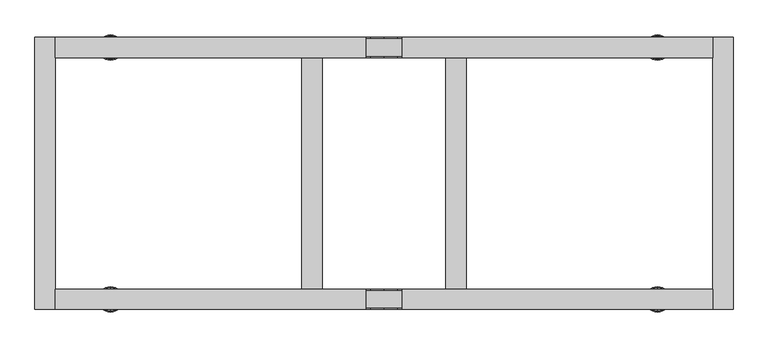
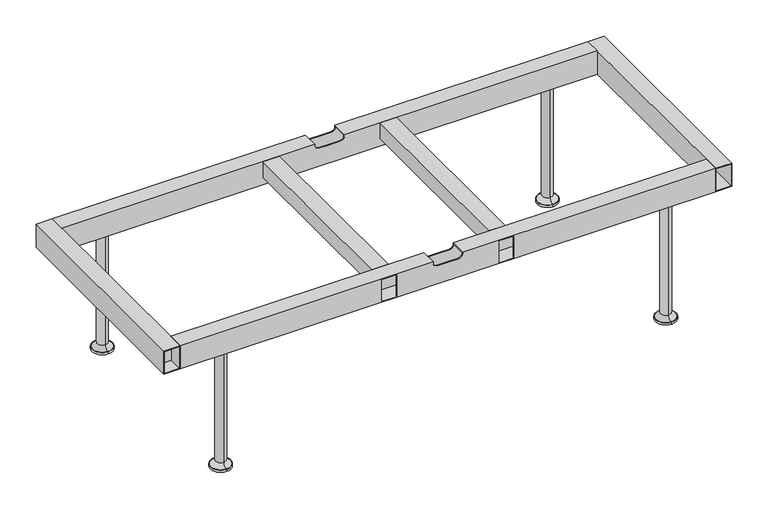
"""IFC4 building model written with IfcOpenShell, lengths in millimetres: furniture geometry."""

from ifc_helpers import new_model, si_unit, point, frame, origin, place, context, project, spatial, polyline, circle_curve, ellipse_curve, trimmed, outline, extrude, source, transform, mapped, element, save
from ifc_brep_helpers import plane_surface, cylinder_surface, revolved_surface, advanced_brep


def furniture_beb03ebc(model_context):
    return source(origin(), model_context, "Body", "SolidModel", [
        extrude(outline(polyline([(-654.9772215, -236.0000008), (-690.9659032, -236.0000008), (-690.9659032, -232.0000015), (-654.9772215, -232.0000015), (-654.9772215, -236.0000008)])), frame((0.0, 0.0, 301.9086098), z_axis=(0.0, 0.0, 1.0), x_axis=(1.0, 0.0, 0.0)), (0.0, 0.0, 1.0), 56.013824),
        extrude(outline(polyline([(-654.9772215, 236.0000008), (-654.9772215, 232.0000015), (-690.9659032, 232.0000015), (-690.9659032, 236.0000008), (-654.9772215, 236.0000008)])), frame((0.0, 0.0, 301.9086098), z_axis=(0.0, 0.0, 1.0), x_axis=(1.0, 0.0, 0.0)), (0.0, 0.0, 1.0), 56.013824),
        advanced_brep(
        [(0.0, -230.0000056, 346.6346058), (0.0, -232.0000018, 346.6346058), (25.9966488, -232.0000018, 346.6346058), (25.9966488, -230.0000056, 346.6346058), (0.0, -268.0000023, 346.6346058), (0.0, -270.0000061, 346.6346058), (25.9966488, -270.0000061, 346.6346058), (25.9966488, -268.0000023, 346.6346058), (35.9966488, -232.0000018, 356.6346058), (35.9966488, -230.0000056, 356.6346058), (35.9966488, -270.0000061, 356.6346058), (35.9966488, -268.0000023, 356.6346058), (35.9966488, -232.0000018, 357.9224338), (35.9966488, -268.0000023, 357.9224338), (35.9966488, -270.0000061, 359.922434), (35.9966488, -230.0000056, 359.922434), (-35.9966488, -232.0000018, 356.6346058), (-35.9966488, -230.0000056, 356.6346058), (-35.9966488, -230.0000056, 359.922434), (-35.9966488, -270.0000061, 359.922434), (-35.9966488, -270.0000061, 356.6346058), (-35.9966488, -268.0000023, 356.6346058), (-35.9966488, -268.0000023, 357.9224338), (-35.9966488, -232.0000018, 357.9224338), (-25.9966488, -230.0000056, 346.6346058), (-25.9966488, -232.0000018, 346.6346058), (-25.9966488, -268.0000023, 346.6346058), (-25.9966488, -270.0000061, 346.6346058), (652.9916052, -230.0000056, 359.922434), (652.9916052, -270.0000061, 359.922434), (652.9916052, -270.0000061, 299.9223263), (652.9916052, -230.0000056, 299.9223263), (652.9916052, -268.0000023, 301.9086098), (652.9916052, -268.0000023, 357.9224338), (652.9916052, -232.0000018, 357.9224338), (652.9916052, -232.0000018, 301.9086098), (-652.9916052, -230.0000056, 359.922434), (-652.9916052, -230.0000056, 299.9223263), (-652.9916052, -270.0000061, 299.9223263), (-652.9916052, -270.0000061, 359.922434), (-652.9916052, -268.0000023, 301.9086098), (-652.9916052, -232.0000018, 301.9086098), (-652.9916052, -232.0000018, 357.9224338), (-652.9916052, -268.0000023, 357.9224338), (124.9814439, -270.0000061, 357.9224338), (160.9701256, -270.0000061, 357.9224338), (160.9701256, -270.0000061, 301.9086098), (124.9814439, -270.0000061, 301.9086098), (-160.9701256, -270.0000061, 357.9224338), (-124.9814439, -270.0000061, 357.9224338), (-124.9814439, -270.0000061, 301.9086098), (-160.9701256, -270.0000061, 301.9086098), (-160.9701256, -268.0000023, 301.9086098), (-124.9814439, -268.0000023, 301.9086098), (124.9814439, -268.0000023, 301.9086098), (160.9701256, -268.0000023, 301.9086098), (160.9701256, -268.0000023, 357.9224338), (124.9814439, -268.0000023, 357.9224338), (-124.9814439, -268.0000023, 357.9224338), (-160.9701256, -268.0000023, 357.9224338)],
        [
            (0, 1),
            (1, 2),
            (2, 3),
            (3, 0),
            (4, 5),
            (5, 6),
            (6, 7),
            (7, 4),
            (2, 8, circle_curve(frame((25.9966488, -232.0000018, 356.6346058), z_axis=(0.0, -1.0, 0.0), x_axis=(-1.0, 0.0, 0.0)), 10.0)),
            (8, 9),
            (9, 3, circle_curve(frame((25.9966488, -230.0000056, 356.6346058), z_axis=(0.0, 1.0, 0.0), x_axis=(-1.0, 0.0, 0.0)), 10.0)),
            (6, 10, circle_curve(frame((25.9966488, -270.0000061, 356.6346058), z_axis=(0.0, -1.0, 0.0), x_axis=(-1.0, 0.0, 0.0)), 10.0)),
            (10, 11),
            (11, 7, circle_curve(frame((25.9966488, -268.0000023, 356.6346058), z_axis=(0.0, 1.0, 0.0), x_axis=(-1.0, 0.0, 0.0)), 10.0)),
            (8, 12),
            (12, 13),
            (13, 11),
            (10, 14),
            (14, 15),
            (15, 9),
            (16, 17),
            (17, 18),
            (18, 19),
            (19, 20),
            (20, 21),
            (21, 22),
            (22, 23),
            (23, 16),
            (0, 24),
            (24, 25),
            (25, 1),
            (4, 26),
            (26, 27),
            (27, 5),
            (28, 29),
            (29, 30),
            (30, 31),
            (31, 28),
            (32, 33),
            (33, 34),
            (34, 35),
            (35, 32),
            (36, 37),
            (37, 38),
            (38, 39),
            (39, 36),
            (40, 41),
            (41, 42),
            (42, 43),
            (43, 40),
            (31, 37),
            (36, 18),
            (17, 24, circle_curve(frame((-25.9966488, -230.0000056, 356.6346058), z_axis=(0.0, -1.0, 0.0), x_axis=(1.0, 0.0, 0.0)), 10.0)),
            (15, 28),
            (30, 38),
            (29, 14),
            (27, 20, circle_curve(frame((-25.9966488, -270.0000061, 356.6346058), z_axis=(0.0, 1.0, 0.0), x_axis=(1.0, 0.0, 0.0)), 10.0)),
            (19, 39),
            (44, 45),
            (45, 46),
            (46, 47),
            (47, 44),
            (48, 49),
            (49, 50),
            (50, 51),
            (51, 48),
            (35, 41),
            (40, 52),
            (52, 51),
            (50, 53),
            (53, 54),
            (54, 47),
            (46, 55),
            (55, 32),
            (34, 12),
            (25, 16, circle_curve(frame((-25.9966488, -232.0000018, 356.6346058), z_axis=(0.0, 1.0, 0.0), x_axis=(1.0, 0.0, 0.0)), 10.0)),
            (23, 42),
            (33, 56),
            (56, 45),
            (44, 57),
            (57, 13),
            (22, 58),
            (58, 49),
            (48, 59),
            (59, 43),
            (55, 56),
            (59, 52),
            (57, 54),
            (53, 58),
            (21, 26, circle_curve(frame((-25.9966488, -268.0000023, 356.6346058), z_axis=(0.0, -1.0, 0.0), x_axis=(1.0, 0.0, 0.0)), 10.0)),
        ],
        [
            plane_surface(frame((0.0, -287.5262628, 346.6346058), z_axis=(0.0, 0.0, 1.0), x_axis=(0.0, 1.0, 0.0))),
            revolved_surface(polyline([(15.9966488, -232.0000018, 356.6346058), (15.9966488, -230.00000560000007, 356.6346058)]), (25.9966488, 314.3107458, 356.6346058), (0.0, -1.0, 0.0)),
            revolved_surface(polyline([(15.9966488, -270.0000061, 356.6346058), (15.9966488, -268.00000229999995, 356.6346058)]), (25.9966488, 314.3107458, 356.6346058), (0.0, -1.0, 0.0)),
            plane_surface(frame((35.9966488, -287.5262628, 356.6346058), z_axis=(-1.0, 0.0, 0.0), x_axis=(0.0, 1.0, 0.0))),
            plane_surface(frame((-35.9966488, -287.5262628, 378.869628), z_axis=(1.0, 0.0, 0.0), x_axis=(0.0, 1.0, 0.0))),
            plane_surface(frame((-25.9966488, -287.5262628, 346.6346058), z_axis=(0.0, 0.0, 1.0), x_axis=(0.0, 1.0, 0.0))),
            plane_surface(frame((652.9916052, -270.0000061, 359.922434), z_axis=(1.0, 0.0, 0.0), x_axis=(0.0, -1.0, 0.0))),
            plane_surface(frame((-652.9916052, -270.0000061, 359.922434), z_axis=(-1.0, 0.0, 0.0), x_axis=(0.0, 1.0, 0.0))),
            plane_surface(frame((652.9916052, -230.0000056, 299.9223263), z_axis=(0.0, 1.0, 0.0), x_axis=(-1.0, 0.0, 0.0))),
            plane_surface(frame((652.9916052, -270.0000061, 299.9223263), z_axis=(0.0, 0.0, -1.0), x_axis=(-1.0, 0.0, 0.0))),
            plane_surface(frame((652.9916052, -270.0000061, 359.922434), z_axis=(0.0, -1.0, 0.0), x_axis=(-1.0, 0.0, 0.0))),
            plane_surface(frame((652.9916052, -230.0000056, 359.922434), z_axis=(0.0, 0.0, 1.0), x_axis=(-1.0, 0.0, 0.0))),
            plane_surface(frame((652.9916052, -232.0000018, 301.9086098), z_axis=(0.0, 0.0, 1.0), x_axis=(-1.0, 0.0, 0.0))),
            plane_surface(frame((652.9916052, -232.0000018, 357.9224338), z_axis=(0.0, -1.0, 0.0), x_axis=(-1.0, 0.0, 0.0))),
            plane_surface(frame((652.9916052, -268.0000023, 357.9224338), z_axis=(0.0, 0.0, -1.0), x_axis=(-1.0, 0.0, 0.0))),
            plane_surface(frame((652.9916052, -268.0000023, 301.9086098), z_axis=(0.0, 1.0, 0.0), x_axis=(-1.0, 0.0, 0.0))),
            plane_surface(frame((160.9701256, -282.4008656, 301.9086098), z_axis=(-1.0, 0.0, 0.0), x_axis=(0.0, 1.0, 0.0))),
            plane_surface(frame((124.9814439, -282.4008656, 357.9224338), z_axis=(1.0, 0.0, 0.0), x_axis=(0.0, 1.0, 0.0))),
            plane_surface(frame((-160.9701256, -282.4008656, 357.9224338), z_axis=(1.0, 0.0, 0.0), x_axis=(0.0, 1.0, 0.0))),
            plane_surface(frame((-124.9814439, -282.4008656, 301.9086098), z_axis=(-1.0, 0.0, 0.0), x_axis=(0.0, 1.0, 0.0))),
            revolved_surface(polyline([(-15.9966488, -232.0000018, 356.6346058), (-15.9966488, -230.00000560000007, 356.6346058)]), (-25.9966488, 314.3107458, 356.6346058), (0.0, -1.0, 0.0)),
            revolved_surface(polyline([(-15.9966488, -270.0000061, 356.6346058), (-15.9966488, -268.00000229999995, 356.6346058)]), (-25.9966488, 314.3107458, 356.6346058), (0.0, -1.0, 0.0)),
        ],
        [
            (0, [[1, 2, 3, 4]]),
            (0, [[5, 6, 7, 8]]),
            (1, [[-3, 9, 10, 11]]),
            (2, [[-7, 12, 13, 14]]),
            (3, [[-10, 15, 16, 17, -13, 18, 19, 20]]),
            (4, [[21, 22, 23, 24, 25, 26, 27, 28]]),
            (5, [[-1, 29, 30, 31]]),
            (5, [[-5, 32, 33, 34]]),
            (6, [[35, 36, 37, 38], [39, 40, 41, 42]]),
            (7, [[43, 44, 45, 46], [47, 48, 49, 50]]),
            (8, [[-38, 51, -43, 52, -22, 53, -29, -4, -11, -20, 54]]),
            (9, [[-37, 55, -44, -51]]),
            (10, [[-36, 56, -18, -12, -6, -34, 57, -24, 58, -45, -55], [59, 60, 61, 62], [63, 64, 65, 66]]),
            (11, [[-35, -54, -19, -56]]),
            (11, [[-46, -58, -23, -52]]),
            (12, [[-42, 67, -47, 68, 69, -65, 70, 71, 72, -61, 73, 74]]),
            (13, [[-41, 75, -15, -9, -2, -31, 76, -28, 77, -48, -67]]),
            (14, [[-40, 78, 79, -59, 80, 81, -16, -75]]),
            (14, [[-49, -77, -27, 82, 83, -63, 84, 85]]),
            (15, [[-39, -74, 86, -78]]),
            (15, [[-50, -85, 87, -68]]),
            (15, [[-8, -14, -17, -81, 88, -71, 89, -82, -26, 90, -32]]),
            (16, [[-79, -86, -73, -60]]),
            (17, [[-72, -88, -80, -62]]),
            (18, [[-84, -66, -69, -87]]),
            (19, [[-83, -89, -70, -64]]),
            (20, [[-30, -53, -21, -76]]),
            (21, [[-33, -90, -25, -57]]),
        ],
    ),
        advanced_brep(
        [(652.9916052, 230.0000056, 359.922434), (652.9916052, 230.0000056, 299.9223263), (652.9916052, 270.0000061, 299.9223263), (652.9916052, 270.0000061, 359.922434), (652.9916052, 268.0000023, 301.9086098), (652.9916052, 232.0000018, 301.9086098), (652.9916052, 232.0000018, 357.9224338), (652.9916052, 268.0000023, 357.9224338), (-652.9916052, 230.0000056, 359.922434), (-652.9916052, 270.0000061, 359.922434), (-652.9916052, 270.0000061, 299.9223263), (-652.9916052, 230.0000056, 299.9223263), (-652.9916052, 268.0000023, 301.9086098), (-652.9916052, 268.0000023, 357.9224338), (-652.9916052, 232.0000018, 357.9224338), (-652.9916052, 232.0000018, 301.9086098), (35.9966488, 230.0000056, 359.922434), (35.9966488, 230.0000056, 356.6346058), (25.9966488, 230.0000056, 346.6346058), (0.0, 230.0000056, 346.6346058), (-25.9966488, 230.0000056, 346.6346058), (-35.9966488, 230.0000056, 356.6346058), (-35.9966488, 230.0000056, 359.922434), (-35.9966488, 270.0000061, 359.922434), (-35.9966488, 270.0000061, 356.6346058), (-25.9966488, 270.0000061, 346.6346058), (0.0, 270.0000061, 346.6346058), (25.9966488, 270.0000061, 346.6346058), (35.9966488, 270.0000061, 356.6346058), (35.9966488, 270.0000061, 359.922434), (-124.9814439, 270.0000061, 357.9224338), (-160.9701256, 270.0000061, 357.9224338), (-160.9701256, 270.0000061, 301.9086098), (-124.9814439, 270.0000061, 301.9086098), (160.9701256, 270.0000061, 357.9224338), (124.9814439, 270.0000061, 357.9224338), (124.9814439, 270.0000061, 301.9086098), (160.9701256, 270.0000061, 301.9086098), (0.0, 232.0000018, 346.6346058), (25.9966488, 232.0000018, 346.6346058), (0.0, 268.0000023, 346.6346058), (25.9966488, 268.0000023, 346.6346058), (35.9966488, 232.0000018, 356.6346058), (35.9966488, 268.0000023, 356.6346058), (35.9966488, 268.0000023, 357.9224338), (35.9966488, 232.0000018, 357.9224338), (-35.9966488, 232.0000018, 356.6346058), (-35.9966488, 232.0000018, 357.9224338), (-35.9966488, 268.0000023, 357.9224338), (-35.9966488, 268.0000023, 356.6346058), (-25.9966488, 232.0000018, 346.6346058), (-25.9966488, 268.0000023, 346.6346058), (160.9701256, 268.0000023, 301.9086098), (124.9814439, 268.0000023, 301.9086098), (-124.9814439, 268.0000023, 301.9086098), (-160.9701256, 268.0000023, 301.9086098), (124.9814439, 268.0000023, 357.9224338), (160.9701256, 268.0000023, 357.9224338), (-160.9701256, 268.0000023, 357.9224338), (-124.9814439, 268.0000023, 357.9224338)],
        [
            (0, 1),
            (1, 2),
            (2, 3),
            (3, 0),
            (4, 5),
            (5, 6),
            (6, 7),
            (7, 4),
            (8, 9),
            (9, 10),
            (10, 11),
            (11, 8),
            (12, 13),
            (13, 14),
            (14, 15),
            (15, 12),
            (0, 16),
            (16, 17),
            (17, 18, circle_curve(frame((25.9966488, 230.0000056, 356.6346058), z_axis=(0.0, 1.0, 0.0), x_axis=(-1.0, 0.0, 0.0)), 10.0)),
            (18, 19),
            (19, 20),
            (20, 21, circle_curve(frame((-25.9966488, 230.0000056, 356.6346058), z_axis=(0.0, 1.0, 0.0), x_axis=(1.0, 0.0, 0.0)), 10.0)),
            (21, 22),
            (22, 8),
            (11, 1),
            (10, 2),
            (9, 23),
            (23, 24),
            (24, 25, circle_curve(frame((-25.9966488, 270.0000061, 356.6346058), z_axis=(0.0, -1.0, 0.0), x_axis=(1.0, 0.0, 0.0)), 10.0)),
            (25, 26),
            (26, 27),
            (27, 28, circle_curve(frame((25.9966488, 270.0000061, 356.6346058), z_axis=(0.0, -1.0, 0.0), x_axis=(-1.0, 0.0, 0.0)), 10.0)),
            (28, 29),
            (29, 3),
            (30, 31),
            (31, 32),
            (32, 33),
            (33, 30),
            (34, 35),
            (35, 36),
            (36, 37),
            (37, 34),
            (29, 16),
            (22, 23),
            (38, 19),
            (18, 39),
            (39, 38),
            (26, 40),
            (40, 41),
            (41, 27),
            (17, 42),
            (42, 39, circle_curve(frame((25.9966488, 232.0000018, 356.6346058), z_axis=(0.0, 1.0, 0.0), x_axis=(-1.0, 0.0, 0.0)), 10.0)),
            (41, 43, circle_curve(frame((25.9966488, 268.0000023, 356.6346058), z_axis=(0.0, -1.0, 0.0), x_axis=(-1.0, 0.0, 0.0)), 10.0)),
            (43, 28),
            (43, 44),
            (44, 45),
            (45, 42),
            (21, 46),
            (46, 47),
            (47, 48),
            (48, 49),
            (49, 24),
            (38, 50),
            (50, 20),
            (25, 51),
            (51, 40),
            (4, 52),
            (52, 37),
            (36, 53),
            (53, 54),
            (54, 33),
            (32, 55),
            (55, 12),
            (15, 5),
            (14, 47),
            (46, 50, circle_curve(frame((-25.9966488, 232.0000018, 356.6346058), z_axis=(0.0, -1.0, 0.0), x_axis=(1.0, 0.0, 0.0)), 10.0)),
            (45, 6),
            (44, 56),
            (56, 35),
            (34, 57),
            (57, 7),
            (13, 58),
            (58, 31),
            (30, 59),
            (59, 48),
            (57, 52),
            (55, 58),
            (51, 49, circle_curve(frame((-25.9966488, 268.0000023, 356.6346058), z_axis=(0.0, 1.0, 0.0), x_axis=(1.0, 0.0, 0.0)), 10.0)),
            (59, 54),
            (53, 56),
        ],
        [
            plane_surface(frame((652.9916052, 230.0000056, 319.6891771), z_axis=(1.0, 0.0, 0.0), x_axis=(0.0, 0.0, -1.0))),
            plane_surface(frame((-652.9916052, 230.0000056, 319.6891771), z_axis=(-1.0, 0.0, 0.0), x_axis=(0.0, 0.0, 1.0))),
            plane_surface(frame((652.9916052, 230.0000056, 359.922434), z_axis=(0.0, -1.0, 0.0), x_axis=(-1.0, 0.0, 0.0))),
            plane_surface(frame((652.9916052, 230.0000056, 299.9223263), z_axis=(0.0, 0.0, -1.0), x_axis=(-1.0, 0.0, 0.0))),
            plane_surface(frame((652.9916052, 270.0000061, 299.9223263), z_axis=(0.0, 1.0, 0.0), x_axis=(-1.0, 0.0, 0.0))),
            plane_surface(frame((652.9916052, 270.0000061, 359.922434), z_axis=(0.0, 0.0, 1.0), x_axis=(-1.0, 0.0, 0.0))),
            plane_surface(frame((0.0, -287.5262628, 346.6346058), z_axis=(0.0, 0.0, 1.0), x_axis=(0.0, 1.0, 0.0))),
            revolved_surface(polyline([(15.9966488, 230.0000056, 356.6346058), (15.9966488, 232.0000018, 356.6346058)]), (25.9966488, 314.3107458, 356.6346058), (0.0, -1.0, 0.0)),
            revolved_surface(polyline([(15.9966488, 268.0000023, 356.6346058), (15.9966488, 270.0000061, 356.6346058)]), (25.9966488, 314.3107458, 356.6346058), (0.0, -1.0, 0.0)),
            plane_surface(frame((35.9966488, -287.5262628, 356.6346058), z_axis=(-1.0, 0.0, 0.0), x_axis=(0.0, 1.0, 0.0))),
            plane_surface(frame((-35.9966488, -287.5262628, 378.869628), z_axis=(1.0, 0.0, 0.0), x_axis=(0.0, 1.0, 0.0))),
            plane_surface(frame((-25.9966488, -287.5262628, 346.6346058), z_axis=(0.0, 0.0, 1.0), x_axis=(0.0, 1.0, 0.0))),
            plane_surface(frame((652.9916052, 268.0000023, 301.9086098), z_axis=(0.0, 0.0, 1.0), x_axis=(-1.0, 0.0, 0.0))),
            plane_surface(frame((652.9916052, 232.0000018, 301.9086098), z_axis=(0.0, 1.0, 0.0), x_axis=(-1.0, 0.0, 0.0))),
            plane_surface(frame((652.9916052, 232.0000018, 357.9224338), z_axis=(0.0, 0.0, -1.0), x_axis=(-1.0, 0.0, 0.0))),
            plane_surface(frame((652.9916052, 268.0000023, 357.9224338), z_axis=(0.0, -1.0, 0.0), x_axis=(-1.0, 0.0, 0.0))),
            plane_surface(frame((-160.9701256, 282.4008656, 301.9086098), z_axis=(1.0, 0.0, 0.0), x_axis=(0.0, -1.0, 0.0))),
            plane_surface(frame((-124.9814439, 282.4008656, 357.9224338), z_axis=(-1.0, 0.0, 0.0), x_axis=(0.0, -1.0, 0.0))),
            plane_surface(frame((160.9701256, 282.4008656, 357.9224338), z_axis=(-1.0, 0.0, 0.0), x_axis=(0.0, -1.0, 0.0))),
            plane_surface(frame((124.9814439, 282.4008656, 301.9086098), z_axis=(1.0, 0.0, 0.0), x_axis=(0.0, -1.0, 0.0))),
            revolved_surface(polyline([(-15.9966488, 230.0000056, 356.6346058), (-15.9966488, 232.0000018, 356.6346058)]), (-25.9966488, 314.3107458, 356.6346058), (0.0, -1.0, 0.0)),
            revolved_surface(polyline([(-15.9966488, 268.0000023, 356.6346058), (-15.9966488, 270.0000061, 356.6346058)]), (-25.9966488, 314.3107458, 356.6346058), (0.0, -1.0, 0.0)),
        ],
        [
            (0, [[1, 2, 3, 4], [5, 6, 7, 8]]),
            (1, [[9, 10, 11, 12], [13, 14, 15, 16]]),
            (2, [[-1, 17, 18, 19, 20, 21, 22, 23, 24, -12, 25]]),
            (3, [[-2, -25, -11, 26]]),
            (4, [[-3, -26, -10, 27, 28, 29, 30, 31, 32, 33, 34], [35, 36, 37, 38], [39, 40, 41, 42]]),
            (5, [[-4, -34, 43, -17]]),
            (5, [[-9, -24, 44, -27]]),
            (6, [[45, -20, 46, 47]]),
            (6, [[48, 49, 50, -31]]),
            (7, [[-46, -19, 51, 52]]),
            (8, [[-50, 53, 54, -32]]),
            (9, [[-51, -18, -43, -33, -54, 55, 56, 57]]),
            (10, [[58, 59, 60, 61, 62, -28, -44, -23]]),
            (11, [[-45, 63, 64, -21]]),
            (11, [[-48, -30, 65, 66]]),
            (12, [[-5, 67, 68, -41, 69, 70, 71, -37, 72, 73, -16, 74]]),
            (13, [[-6, -74, -15, 75, -59, 76, -63, -47, -52, -57, 77]]),
            (14, [[-7, -77, -56, 78, 79, -39, 80, 81]]),
            (14, [[-14, 82, 83, -35, 84, 85, -60, -75]]),
            (15, [[-8, -81, 86, -67]]),
            (15, [[-13, -73, 87, -82]]),
            (15, [[-49, -66, 88, -61, -85, 89, -70, 90, -78, -55, -53]]),
            (16, [[-83, -87, -72, -36]]),
            (17, [[-71, -89, -84, -38]]),
            (18, [[-80, -42, -68, -86]]),
            (19, [[-79, -90, -69, -40]]),
            (20, [[-64, -76, -58, -22]]),
            (21, [[-65, -29, -62, -88]]),
        ],
    ),
        extrude(outline(polyline([(359.922434, 652.9916052), (299.9223263, 652.9916052), (299.9223263, 692.9854212), (359.922434, 692.9854212), (359.922434, 652.9916052)]), holes=[polyline([(301.9086098, 690.9659032), (301.9086098, 654.9772215), (357.9224338, 654.9772215), (357.9224338, 690.9659032), (301.9086098, 690.9659032)])]), frame((0.0, -269.9999939, 0.0), z_axis=(0.0, 1.0, 0.0), x_axis=(0.0, 0.0, 1.0)), (0.0, 0.0, 1.0), 540.0),
        extrude(outline(polyline([(359.922434, 122.9958276), (319.6891771, 122.9958276), (319.6891771, 162.9896436), (359.922434, 162.9896436), (359.922434, 122.9958276)]), holes=[polyline([(321.6754606, 160.9701256), (321.6754606, 124.9814439), (357.9224338, 124.9814439), (357.9224338, 160.9701256), (321.6754606, 160.9701256)])]), frame((0.0, -229.9999925, 0.0), z_axis=(0.0, 1.0, 0.0), x_axis=(0.0, 0.0, 1.0)), (0.0, 0.0, 1.0), 459.9999981),
        extrude(outline(polyline([(359.922434, -122.9958276), (359.922434, -162.9896436), (319.6891771, -162.9896436), (319.6891771, -122.9958276), (359.922434, -122.9958276)]), holes=[polyline([(321.6754606, -160.9701256), (357.9224338, -160.9701256), (357.9224338, -124.9814439), (321.6754606, -124.9814439), (321.6754606, -160.9701256)])]), frame((0.0, -229.9999925, 0.0), z_axis=(0.0, 1.0, 0.0), x_axis=(0.0, 0.0, 1.0)), (0.0, 0.0, 1.0), 459.9999981),
        extrude(outline(polyline([(359.922434, -652.9916052), (359.922434, -692.9854212), (299.9223263, -692.9854212), (299.9223263, -652.9916052), (359.922434, -652.9916052)]), holes=[polyline([(301.9086098, -690.9659032), (357.9224338, -690.9659032), (357.9224338, -654.9772215), (301.9086098, -654.9772215), (301.9086098, -690.9659032)])]), frame((0.0, -269.9999939, 0.0), z_axis=(0.0, 1.0, 0.0), x_axis=(0.0, 0.0, 1.0)), (0.0, 0.0, 1.0), 540.0),
        advanced_brep(
        [(542.9813638, 275.0000031, 0.0), (542.9813638, 225.0000031, 0.0), (542.9813638, 250.0000031, 0.0), (542.9813638, 250.0000031, 344.8637637), (542.9813638, 237.5284391, 344.8637637), (542.9813638, 262.4715672, 344.8637637), (542.9813638, 237.5284391, 16.2604994), (542.9813638, 262.4715672, 16.2604994), (542.9813638, 226.770535, 5.5025953), (542.9813638, 273.2294713, 5.5025953), (542.9813638, 225.0000031, 5.5025953), (542.9813638, 275.0000031, 5.5025953)],
        [
            (0, 1, circle_curve(frame((542.9813638, 250.0000031, 0.0), z_axis=(0.0, 0.0, -1.0), x_axis=(0.0, -1.0, 0.0)), 25.0)),
            (1, 2),
            (2, 0),
            (1, 0, circle_curve(frame((542.9813638, 250.0000031, 0.0), z_axis=(0.0, 0.0, -1.0), x_axis=(0.0, -1.0, 0.0)), 25.0)),
            (3, 4),
            (4, 5, circle_curve(frame((542.9813638, 250.0000031, 344.8637637), z_axis=(0.0, 0.0, 1.0), x_axis=(0.0, -1.0, 0.0)), 12.471564)),
            (5, 3),
            (5, 4, circle_curve(frame((542.9813638, 250.0000031, 344.8637637), z_axis=(0.0, 0.0, 1.0), x_axis=(0.0, -1.0, 0.0)), 12.471564)),
            (4, 6),
            (6, 7, circle_curve(frame((542.9813638, 250.0000031, 16.2604994), z_axis=(0.0, 0.0, 1.0), x_axis=(0.0, -1.0, 0.0)), 12.471564)),
            (7, 5),
            (7, 6, circle_curve(frame((542.9813638, 250.0000031, 16.2604994), z_axis=(0.0, 0.0, 1.0), x_axis=(0.0, -1.0, 0.0)), 12.471564)),
            (6, 8, circle_curve(frame((542.9813638, 226.770535, 16.2604994), z_axis=(-1.0, 0.0, 0.0), x_axis=(0.0, -1.0, 0.0)), 10.7579041)),
            (8, 9, circle_curve(frame((542.9813638, 250.0000031, 5.5025953), z_axis=(0.0, 0.0, 1.0), x_axis=(0.0, -1.0, 0.0)), 23.2294681)),
            (9, 7, circle_curve(frame((542.9813638, 273.2294713, 16.2604994), z_axis=(-1.0, 0.0, 0.0), x_axis=(0.0, 1.0, 0.0)), 10.7579041)),
            (9, 8, circle_curve(frame((542.9813638, 250.0000031, 5.5025953), z_axis=(0.0, 0.0, 1.0), x_axis=(0.0, -1.0, 0.0)), 23.2294681)),
            (8, 10),
            (10, 11, circle_curve(frame((542.9813638, 250.0000031, 5.5025953), z_axis=(0.0, 0.0, 1.0), x_axis=(0.0, -1.0, 0.0)), 25.0)),
            (11, 9),
            (11, 10, circle_curve(frame((542.9813638, 250.0000031, 5.5025953), z_axis=(0.0, 0.0, 1.0), x_axis=(0.0, -1.0, 0.0)), 25.0)),
            (10, 1),
            (0, 11),
        ],
        [
            plane_surface(frame((542.9813638, 250.0000031, 0.0), z_axis=(0.0, 0.0, -1.0), x_axis=(0.0, -1.0, 0.0))),
            plane_surface(frame((542.9813638, 250.0000031, 344.8637637), z_axis=(0.0, 0.0, 1.0), x_axis=(0.0, -1.0, 0.0))),
            cylinder_surface(frame((542.9813638, 250.0000031, 344.8637637), z_axis=(0.0, 0.0, 1.0), x_axis=(0.0, -1.0, 0.0)), 12.471564),
            revolved_surface(trimmed(ellipse_curve(frame((542.9813638, 226.770535, 16.2604994), z_axis=(1.0, 0.0, 0.0), x_axis=(0.0, -1.0, 0.0)), 10.7579041, 10.7579041), [point((542.9813638, 226.770535, 5.5025953))], [point((542.9813638, 237.5284391, 16.2604994))], True, "CARTESIAN"), (542.9813638, 250.0000031, 344.8637637), (0.0, 0.0, 1.0)),
            plane_surface(frame((542.9813638, 250.0000031, 5.5025953), z_axis=(0.0, 0.0, 1.0), x_axis=(0.0, -1.0, 0.0))),
            cylinder_surface(frame((542.9813638, 250.0000031, 344.8637637), z_axis=(0.0, 0.0, 1.0), x_axis=(0.0, -1.0, 0.0)), 25.0),
        ],
        [
            (0, [[1, 2, 3]]),
            (0, [[4, -3, -2]]),
            (1, [[5, 6, 7]]),
            (1, [[-7, 8, -5]]),
            (2, [[-6, 9, 10, 11]]),
            (2, [[-8, -11, 12, -9]]),
            (3, [[-10, 13, 14, 15]]),
            (3, [[-12, -15, 16, -13]]),
            (4, [[-14, 17, 18, 19]]),
            (4, [[-16, -19, 20, -17]]),
            (5, [[-18, 21, -1, 22]]),
            (5, [[-20, -22, -4, -21]]),
        ],
    ),
        advanced_brep(
        [(542.9813638, -250.0000031, 0.0), (542.9813638, -225.0000031, 0.0), (542.9813638, -275.0000031, 0.0), (542.9813638, -262.4715672, 344.8637637), (542.9813638, -237.5284391, 344.8637637), (542.9813638, -250.0000031, 344.8637637), (542.9813638, -262.4715672, 16.2604994), (542.9813638, -237.5284391, 16.2604994), (542.9813638, -273.2294713, 5.5025953), (542.9813638, -226.770535, 5.5025953), (542.9813638, -275.0000031, 5.5025953), (542.9813638, -225.0000031, 5.5025953)],
        [
            (0, 1),
            (1, 2, circle_curve(frame((542.9813638, -250.0000031, 0.0), z_axis=(0.0, 0.0, -1.0), x_axis=(0.0, 1.0, 0.0)), 25.0)),
            (2, 0),
            (2, 1, circle_curve(frame((542.9813638, -250.0000031, 0.0), z_axis=(0.0, 0.0, -1.0), x_axis=(0.0, 1.0, 0.0)), 25.0)),
            (3, 4, circle_curve(frame((542.9813638, -250.0000031, 344.8637637), z_axis=(0.0, 0.0, 1.0), x_axis=(0.0, 1.0, 0.0)), 12.471564)),
            (4, 5),
            (5, 3),
            (4, 3, circle_curve(frame((542.9813638, -250.0000031, 344.8637637), z_axis=(0.0, 0.0, 1.0), x_axis=(0.0, 1.0, 0.0)), 12.471564)),
            (6, 7, circle_curve(frame((542.9813638, -250.0000031, 16.2604994), z_axis=(0.0, 0.0, 1.0), x_axis=(0.0, 1.0, 0.0)), 12.471564)),
            (7, 4),
            (3, 6),
            (7, 6, circle_curve(frame((542.9813638, -250.0000031, 16.2604994), z_axis=(0.0, 0.0, 1.0), x_axis=(0.0, 1.0, 0.0)), 12.471564)),
            (8, 9, circle_curve(frame((542.9813638, -250.0000031, 5.5025953), z_axis=(0.0, 0.0, 1.0), x_axis=(0.0, 1.0, 0.0)), 23.2294681)),
            (9, 7, circle_curve(frame((542.9813638, -226.770535, 16.2604994), z_axis=(-1.0, 0.0, 0.0), x_axis=(0.0, 1.0, 0.0)), 10.7579041)),
            (6, 8, circle_curve(frame((542.9813638, -273.2294713, 16.2604994), z_axis=(-1.0, 0.0, 0.0), x_axis=(0.0, -1.0, 0.0)), 10.7579041)),
            (9, 8, circle_curve(frame((542.9813638, -250.0000031, 5.5025953), z_axis=(0.0, 0.0, 1.0), x_axis=(0.0, 1.0, 0.0)), 23.2294681)),
            (10, 11, circle_curve(frame((542.9813638, -250.0000031, 5.5025953), z_axis=(0.0, 0.0, 1.0), x_axis=(0.0, 1.0, 0.0)), 25.0)),
            (11, 9),
            (8, 10),
            (11, 10, circle_curve(frame((542.9813638, -250.0000031, 5.5025953), z_axis=(0.0, 0.0, 1.0), x_axis=(0.0, 1.0, 0.0)), 25.0)),
            (1, 11),
            (10, 2),
        ],
        [
            plane_surface(frame((542.9813638, -250.0000031, 0.0), z_axis=(0.0, 0.0, -1.0), x_axis=(0.0, 1.0, 0.0))),
            plane_surface(frame((542.9813638, -250.0000031, 344.8637637), z_axis=(0.0, 0.0, 1.0), x_axis=(0.0, 1.0, 0.0))),
            cylinder_surface(frame((542.9813638, -250.0000031, 344.8637637), z_axis=(0.0, 0.0, -1.0), x_axis=(0.0, 1.0, 0.0)), 12.471564),
            revolved_surface(trimmed(ellipse_curve(frame((542.9813638, -226.770535, 16.2604994), z_axis=(1.0, 0.0, 0.0), x_axis=(0.0, 1.0, 0.0)), 10.7579041, 10.7579041), [point((542.9813638, -237.5284391, 16.2604994))], [point((542.9813638, -226.770535, 5.5025953))], True, "CARTESIAN"), (542.9813638, -250.0000031, 344.8637637), (0.0, 0.0, -1.0)),
            plane_surface(frame((542.9813638, -250.0000031, 5.5025953), z_axis=(0.0, 0.0, 1.0), x_axis=(0.0, 1.0, 0.0))),
            cylinder_surface(frame((542.9813638, -250.0000031, 344.8637637), z_axis=(0.0, 0.0, -1.0), x_axis=(0.0, 1.0, 0.0)), 25.0),
        ],
        [
            (0, [[1, 2, 3]]),
            (0, [[-3, 4, -1]]),
            (1, [[5, 6, 7]]),
            (1, [[8, -7, -6]]),
            (2, [[9, 10, -5, 11]]),
            (2, [[12, -11, -8, -10]]),
            (3, [[13, 14, -9, 15]]),
            (3, [[16, -15, -12, -14]]),
            (4, [[17, 18, -13, 19]]),
            (4, [[20, -19, -16, -18]]),
            (5, [[-2, 21, -17, 22]]),
            (5, [[-4, -22, -20, -21]]),
        ],
    ),
        advanced_brep(
        [(-542.9813638, -275.0000031, 0.0), (-542.9813638, -225.0000031, 0.0), (-542.9813638, -250.0000031, 0.0), (-542.9813638, -250.0000031, 344.8637637), (-542.9813638, -237.5284391, 344.8637637), (-542.9813638, -262.4715672, 344.8637637), (-542.9813638, -237.5284391, 16.2604994), (-542.9813638, -262.4715672, 16.2604994), (-542.9813638, -226.770535, 5.5025953), (-542.9813638, -273.2294713, 5.5025953), (-542.9813638, -225.0000031, 5.5025953), (-542.9813638, -275.0000031, 5.5025953)],
        [
            (0, 1, circle_curve(frame((-542.9813638, -250.0000031, 0.0), z_axis=(0.0, 0.0, -1.0), x_axis=(0.0, 1.0, 0.0)), 25.0)),
            (1, 2),
            (2, 0),
            (1, 0, circle_curve(frame((-542.9813638, -250.0000031, 0.0), z_axis=(0.0, 0.0, -1.0), x_axis=(0.0, 1.0, 0.0)), 25.0)),
            (3, 4),
            (4, 5, circle_curve(frame((-542.9813638, -250.0000031, 344.8637637), z_axis=(0.0, 0.0, 1.0), x_axis=(0.0, 1.0, 0.0)), 12.471564)),
            (5, 3),
            (5, 4, circle_curve(frame((-542.9813638, -250.0000031, 344.8637637), z_axis=(0.0, 0.0, 1.0), x_axis=(0.0, 1.0, 0.0)), 12.471564)),
            (4, 6),
            (6, 7, circle_curve(frame((-542.9813638, -250.0000031, 16.2604994), z_axis=(0.0, 0.0, 1.0), x_axis=(0.0, 1.0, 0.0)), 12.471564)),
            (7, 5),
            (7, 6, circle_curve(frame((-542.9813638, -250.0000031, 16.2604994), z_axis=(0.0, 0.0, 1.0), x_axis=(0.0, 1.0, 0.0)), 12.471564)),
            (6, 8, circle_curve(frame((-542.9813638, -226.770535, 16.2604994), z_axis=(1.0, 0.0, 0.0), x_axis=(0.0, 1.0, 0.0)), 10.7579041)),
            (8, 9, circle_curve(frame((-542.9813638, -250.0000031, 5.5025953), z_axis=(0.0, 0.0, 1.0), x_axis=(0.0, 1.0, 0.0)), 23.2294681)),
            (9, 7, circle_curve(frame((-542.9813638, -273.2294713, 16.2604994), z_axis=(1.0, 0.0, 0.0), x_axis=(0.0, -1.0, 0.0)), 10.7579041)),
            (9, 8, circle_curve(frame((-542.9813638, -250.0000031, 5.5025953), z_axis=(0.0, 0.0, 1.0), x_axis=(0.0, 1.0, 0.0)), 23.2294681)),
            (8, 10),
            (10, 11, circle_curve(frame((-542.9813638, -250.0000031, 5.5025953), z_axis=(0.0, 0.0, 1.0), x_axis=(0.0, 1.0, 0.0)), 25.0)),
            (11, 9),
            (11, 10, circle_curve(frame((-542.9813638, -250.0000031, 5.5025953), z_axis=(0.0, 0.0, 1.0), x_axis=(0.0, 1.0, 0.0)), 25.0)),
            (10, 1),
            (0, 11),
        ],
        [
            plane_surface(frame((-542.9813638, -250.0000031, 0.0), z_axis=(0.0, 0.0, -1.0), x_axis=(0.0, 1.0, 0.0))),
            plane_surface(frame((-542.9813638, -250.0000031, 344.8637637), z_axis=(0.0, 0.0, 1.0), x_axis=(0.0, 1.0, 0.0))),
            cylinder_surface(frame((-542.9813638, -250.0000031, 344.8637637), z_axis=(0.0, 0.0, 1.0), x_axis=(0.0, 1.0, 0.0)), 12.471564),
            revolved_surface(trimmed(ellipse_curve(frame((-542.9813638, -226.770535, 16.2604994), z_axis=(-1.0, 0.0, 0.0), x_axis=(0.0, 1.0, 0.0)), 10.7579041, 10.7579041), [point((-542.9813638, -226.770535, 5.5025953))], [point((-542.9813638, -237.5284391, 16.2604994))], True, "CARTESIAN"), (-542.9813638, -250.0000031, 344.8637637), (0.0, 0.0, 1.0)),
            plane_surface(frame((-542.9813638, -250.0000031, 5.5025953), z_axis=(0.0, 0.0, 1.0), x_axis=(0.0, 1.0, 0.0))),
            cylinder_surface(frame((-542.9813638, -250.0000031, 344.8637637), z_axis=(0.0, 0.0, 1.0), x_axis=(0.0, 1.0, 0.0)), 25.0),
        ],
        [
            (0, [[1, 2, 3]]),
            (0, [[4, -3, -2]]),
            (1, [[5, 6, 7]]),
            (1, [[-7, 8, -5]]),
            (2, [[-6, 9, 10, 11]]),
            (2, [[-8, -11, 12, -9]]),
            (3, [[-10, 13, 14, 15]]),
            (3, [[-12, -15, 16, -13]]),
            (4, [[-14, 17, 18, 19]]),
            (4, [[-16, -19, 20, -17]]),
            (5, [[-18, 21, -1, 22]]),
            (5, [[-20, -22, -4, -21]]),
        ],
    ),
        advanced_brep(
        [(-542.9813638, 250.0000031, 0.0), (-542.9813638, 225.0000031, 0.0), (-542.9813638, 275.0000031, 0.0), (-542.9813638, 262.4715672, 344.8637637), (-542.9813638, 237.5284391, 344.8637637), (-542.9813638, 250.0000031, 344.8637637), (-542.9813638, 262.4715672, 16.2604994), (-542.9813638, 237.5284391, 16.2604994), (-542.9813638, 273.2294713, 5.5025953), (-542.9813638, 226.770535, 5.5025953), (-542.9813638, 275.0000031, 5.5025953), (-542.9813638, 225.0000031, 5.5025953)],
        [
            (0, 1),
            (1, 2, circle_curve(frame((-542.9813638, 250.0000031, 0.0), z_axis=(0.0, 0.0, -1.0), x_axis=(0.0, -1.0, 0.0)), 25.0)),
            (2, 0),
            (2, 1, circle_curve(frame((-542.9813638, 250.0000031, 0.0), z_axis=(0.0, 0.0, -1.0), x_axis=(0.0, -1.0, 0.0)), 25.0)),
            (3, 4, circle_curve(frame((-542.9813638, 250.0000031, 344.8637637), z_axis=(0.0, 0.0, 1.0), x_axis=(0.0, -1.0, 0.0)), 12.471564)),
            (4, 5),
            (5, 3),
            (4, 3, circle_curve(frame((-542.9813638, 250.0000031, 344.8637637), z_axis=(0.0, 0.0, 1.0), x_axis=(0.0, -1.0, 0.0)), 12.471564)),
            (6, 7, circle_curve(frame((-542.9813638, 250.0000031, 16.2604994), z_axis=(0.0, 0.0, 1.0), x_axis=(0.0, -1.0, 0.0)), 12.471564)),
            (7, 4),
            (3, 6),
            (7, 6, circle_curve(frame((-542.9813638, 250.0000031, 16.2604994), z_axis=(0.0, 0.0, 1.0), x_axis=(0.0, -1.0, 0.0)), 12.471564)),
            (8, 9, circle_curve(frame((-542.9813638, 250.0000031, 5.5025953), z_axis=(0.0, 0.0, 1.0), x_axis=(0.0, -1.0, 0.0)), 23.2294681)),
            (9, 7, circle_curve(frame((-542.9813638, 226.770535, 16.2604994), z_axis=(1.0, 0.0, 0.0), x_axis=(0.0, -1.0, 0.0)), 10.7579041)),
            (6, 8, circle_curve(frame((-542.9813638, 273.2294713, 16.2604994), z_axis=(1.0, 0.0, 0.0), x_axis=(0.0, 1.0, 0.0)), 10.7579041)),
            (9, 8, circle_curve(frame((-542.9813638, 250.0000031, 5.5025953), z_axis=(0.0, 0.0, 1.0), x_axis=(0.0, -1.0, 0.0)), 23.2294681)),
            (10, 11, circle_curve(frame((-542.9813638, 250.0000031, 5.5025953), z_axis=(0.0, 0.0, 1.0), x_axis=(0.0, -1.0, 0.0)), 25.0)),
            (11, 9),
            (8, 10),
            (11, 10, circle_curve(frame((-542.9813638, 250.0000031, 5.5025953), z_axis=(0.0, 0.0, 1.0), x_axis=(0.0, -1.0, 0.0)), 25.0)),
            (1, 11),
            (10, 2),
        ],
        [
            plane_surface(frame((-542.9813638, 250.0000031, 0.0), z_axis=(0.0, 0.0, -1.0), x_axis=(0.0, -1.0, 0.0))),
            plane_surface(frame((-542.9813638, 250.0000031, 344.8637637), z_axis=(0.0, 0.0, 1.0), x_axis=(0.0, -1.0, 0.0))),
            cylinder_surface(frame((-542.9813638, 250.0000031, 344.8637637), z_axis=(0.0, 0.0, -1.0), x_axis=(0.0, -1.0, 0.0)), 12.471564),
            revolved_surface(trimmed(ellipse_curve(frame((-542.9813638, 226.770535, 16.2604994), z_axis=(-1.0, 0.0, 0.0), x_axis=(0.0, -1.0, 0.0)), 10.7579041, 10.7579041), [point((-542.9813638, 237.5284391, 16.2604994))], [point((-542.9813638, 226.770535, 5.5025953))], True, "CARTESIAN"), (-542.9813638, 250.0000031, 344.8637637), (0.0, 0.0, -1.0)),
            plane_surface(frame((-542.9813638, 250.0000031, 5.5025953), z_axis=(0.0, 0.0, 1.0), x_axis=(0.0, -1.0, 0.0))),
            cylinder_surface(frame((-542.9813638, 250.0000031, 344.8637637), z_axis=(0.0, 0.0, -1.0), x_axis=(0.0, -1.0, 0.0)), 25.0),
        ],
        [
            (0, [[1, 2, 3]]),
            (0, [[-3, 4, -1]]),
            (1, [[5, 6, 7]]),
            (1, [[8, -7, -6]]),
            (2, [[9, 10, -5, 11]]),
            (2, [[12, -11, -8, -10]]),
            (3, [[13, 14, -9, 15]]),
            (3, [[16, -15, -12, -14]]),
            (4, [[17, 18, -13, 19]]),
            (4, [[20, -19, -16, -18]]),
            (5, [[-2, 21, -17, 22]]),
            (5, [[-4, -22, -20, -21]]),
        ],
    ),
    ])


if __name__ == "__main__":
    model = new_model("IFC4")
    model_context = context("Model", 3, world=origin())
    ifc_project = project(units=[si_unit("LENGTHUNIT", "METRE", prefix="MILLI")], contexts=[model_context])
    site = spatial("IfcSite", under=ifc_project)
    building = spatial("IfcBuilding", under=site)
    placement = place(None, origin())
    furniture_shape = furniture_beb03ebc(model_context)
    element("IfcFurniture", 1, at=placement, inside=building, context=model_context, shape_type="MappedRepresentation", body=[
        mapped(furniture_shape, transform((0.0, 0.0, 0.0), x_axis=(1.0, 0.0, 0.0), y_axis=(0.0, 1.0, 0.0), z_axis=(0.0, 0.0, 1.0))),
    ])
    save(model, "model.ifc")
